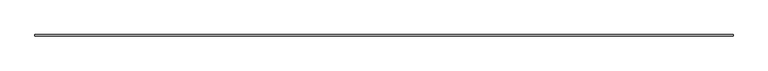
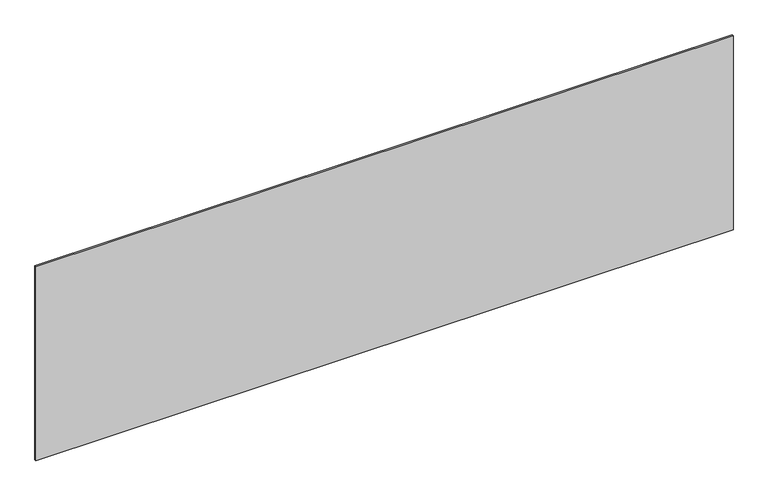
"""IFC4 building model written with IfcOpenShell, lengths in millimetres: plate geometry."""

from ifc_helpers import new_model, si_unit, origin, origin_with_axes, place, context, project, spatial, polyline, outline, extrude, source, transform, mapped, element, save


def plate_ad73517c(model_context):
    return source(origin(), model_context, "Body", "SweptSolid", [
        extrude(outline(polyline([(2264.1666667, -5.0), (-2264.1666667, -5.0), (-2264.1666667, 5.0), (2264.1666667, 5.0), (2264.1666667, -5.0)])), origin_with_axes(), (0.0, 0.0, 1.0), 1331.9755531),
    ])


if __name__ == "__main__":
    model = new_model("IFC4")
    model_context = context("Model", 3, world=origin())
    ifc_project = project(units=[si_unit("LENGTHUNIT", "METRE", prefix="MILLI")], contexts=[model_context])
    site = spatial("IfcSite", under=ifc_project)
    building = spatial("IfcBuilding", under=site)
    placement = place(None, origin())
    plate_shape = plate_ad73517c(model_context)
    element("IfcPlate", 1, at=placement, inside=building, context=model_context, shape_type="MappedRepresentation", body=[
        mapped(plate_shape, transform((0.0, 0.0, 0.0), x_axis=(1.0, 0.0, 0.0), y_axis=(0.0, 1.0, 0.0), z_axis=(0.0, 0.0, 1.0))),
    ])
    save(model, "model.ifc")
